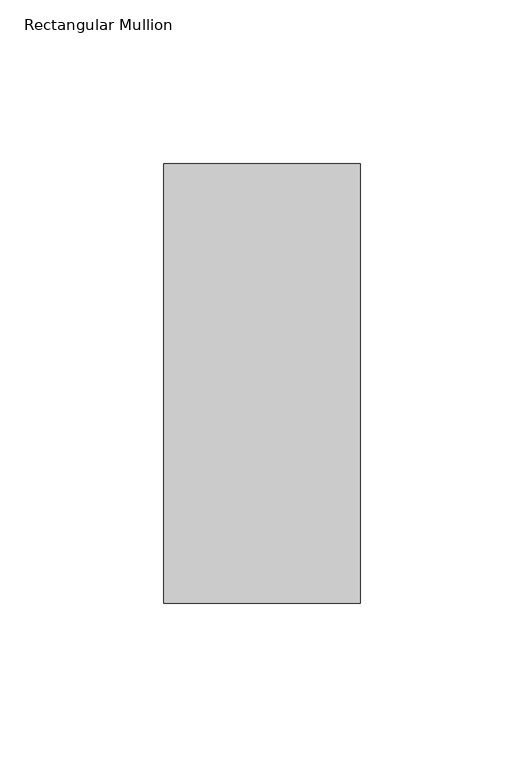
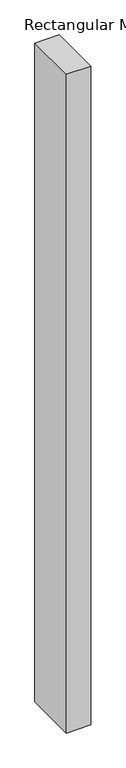
"""IFC4 building model written with IfcOpenShell, lengths in millimetres: member geometry, Rectangular Mullion."""

from ifc_helpers import new_model, si_unit, frame, origin, place, context, project, spatial, polyline, outline, extrude, source, transform, mapped, element, save


def rectangular_mullion_4e91c75a(model_context):
    return source(origin(), model_context, "Body", "SweptSolid", [
        extrude(outline(polyline([(30.0, 82.60625), (30.0, -51.60625), (-30.0, -51.60625), (-30.0, 82.60625), (30.0, 82.60625)])), frame((0.0, 0.0, -1708.8912252), z_axis=(0.0, 0.0, 1.0), x_axis=(1.0, 0.0, 0.0)), (0.0, 0.0, 1.0), 1708.8912252),
    ])


if __name__ == "__main__":
    model = new_model("IFC4")
    model_context = context("Model", 3, world=origin())
    ifc_project = project(units=[si_unit("LENGTHUNIT", "METRE", prefix="MILLI")], contexts=[model_context])
    site = spatial("IfcSite", under=ifc_project)
    building = spatial("IfcBuilding", under=site)
    placement = place(None, origin())
    rectangular_mullion_shape = rectangular_mullion_4e91c75a(model_context)
    element("IfcMember", 1, ObjectType="Rectangular Mullion", at=placement, inside=building, context=model_context, shape_type="MappedRepresentation", body=[
        mapped(rectangular_mullion_shape, transform((0.0, 0.0, 0.0), x_axis=(1.0, 0.0, 0.0), y_axis=(0.0, 1.0, 0.0), z_axis=(0.0, 0.0, 1.0))),
    ])
    save(model, "model.ifc")
